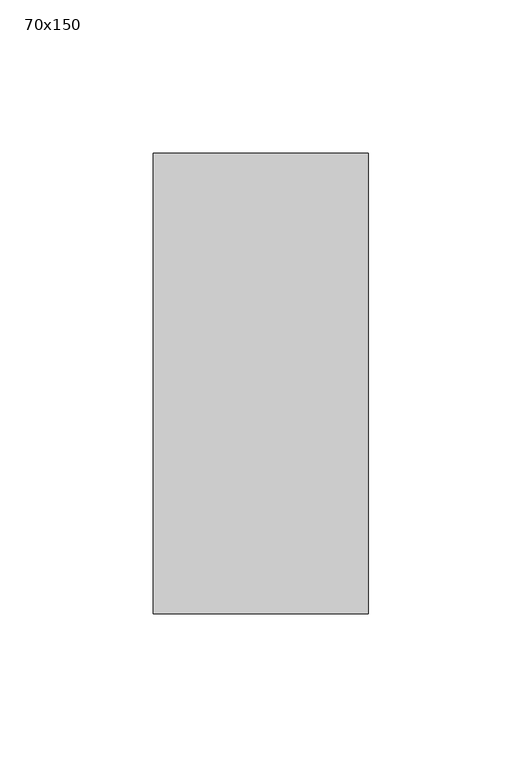
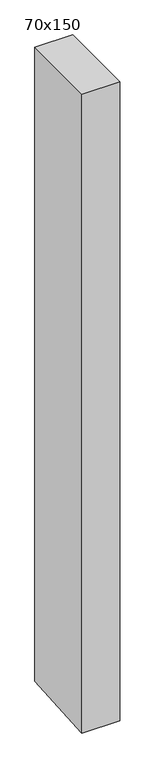
"""IFC4 building model written with IfcOpenShell, lengths in millimetres: member geometry, 70x150."""

from ifc_helpers import new_model, si_unit, frame, origin, place, context, project, spatial, polyline, outline, extrude, source, transform, mapped, element, save


def member_70x150_14443979(model_context):
    return source(origin(), model_context, "Body", "SweptSolid", [
        extrude(outline(polyline([(-75.0, 0.0), (75.0, 0.0), (75.0, -1234.4919599), (-75.0, -1244.3866683), (-75.0, 0.0)])), frame((-35.0, 0.0, 0.0), z_axis=(1.0, 0.0, 0.0), x_axis=(0.0, 1.0, 0.0)), (0.0, 0.0, 1.0), 70.0),
    ])


if __name__ == "__main__":
    model = new_model("IFC4")
    model_context = context("Model", 3, world=origin())
    ifc_project = project(units=[si_unit("LENGTHUNIT", "METRE", prefix="MILLI")], contexts=[model_context])
    site = spatial("IfcSite", under=ifc_project)
    building = spatial("IfcBuilding", under=site)
    placement = place(None, origin())
    member_70x150_shape = member_70x150_14443979(model_context)
    element("IfcMember", 1, ObjectType="70x150", at=placement, inside=building, context=model_context, shape_type="MappedRepresentation", body=[
        mapped(member_70x150_shape, transform((0.0, 0.0, 0.0), x_axis=(1.0, 0.0, 0.0), y_axis=(0.0, 1.0, 0.0), z_axis=(0.0, 0.0, 1.0))),
    ])
    save(model, "model.ifc")
